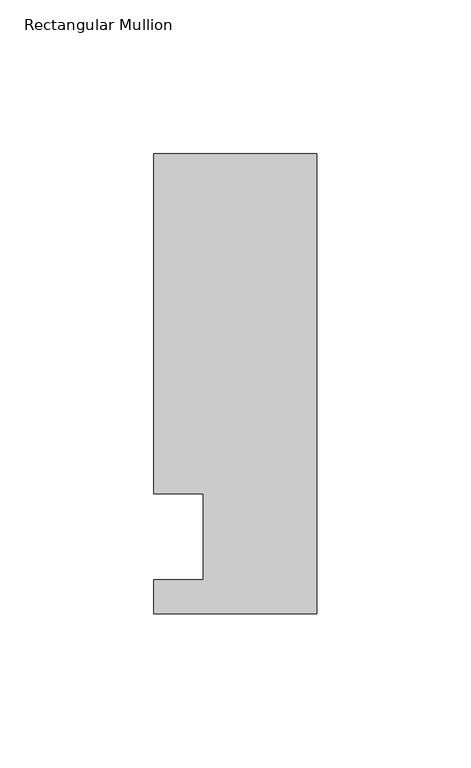
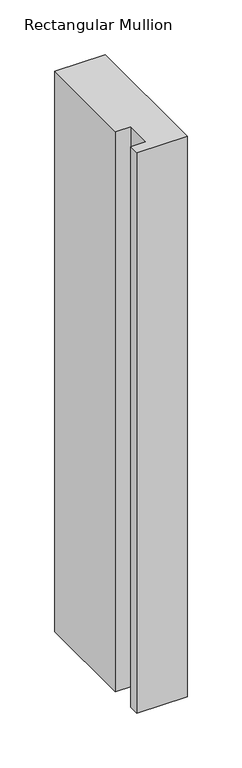
"""IFC4 building model written with IfcOpenShell, lengths in millimetres: member geometry, Rectangular Mullion."""

from ifc_helpers import new_model, si_unit, frame, origin, place, context, project, spatial, polyline, outline, extrude, source, transform, mapped, element, save


def rectangular_mullion_f80fd8c2(model_context):
    return source(origin(), model_context, "Body", "SweptSolid", [
        extrude(outline(polyline([(0.0, -25.0), (-53.0, -25.0), (-53.0, -14.0), (-37.0, -14.0), (-37.0, 14.0), (-53.0, 14.0), (-53.0, 124.5), (0.0, 124.5), (0.0, -25.0)])), frame((0.0, 0.0, -623.7213025), z_axis=(0.0, 0.0, 1.0), x_axis=(1.0, 0.0, 0.0)), (0.0, 0.0, 1.0), 623.7213025),
    ])


if __name__ == "__main__":
    model = new_model("IFC4")
    model_context = context("Model", 3, world=origin())
    ifc_project = project(units=[si_unit("LENGTHUNIT", "METRE", prefix="MILLI")], contexts=[model_context])
    site = spatial("IfcSite", under=ifc_project)
    building = spatial("IfcBuilding", under=site)
    placement = place(None, origin())
    rectangular_mullion_shape = rectangular_mullion_f80fd8c2(model_context)
    element("IfcMember", 1, ObjectType="Rectangular Mullion", at=placement, inside=building, context=model_context, shape_type="MappedRepresentation", body=[
        mapped(rectangular_mullion_shape, transform((0.0, 0.0, 0.0), x_axis=(1.0, 0.0, 0.0), y_axis=(0.0, 1.0, 0.0), z_axis=(0.0, 0.0, 1.0))),
    ])
    save(model, "model.ifc")
